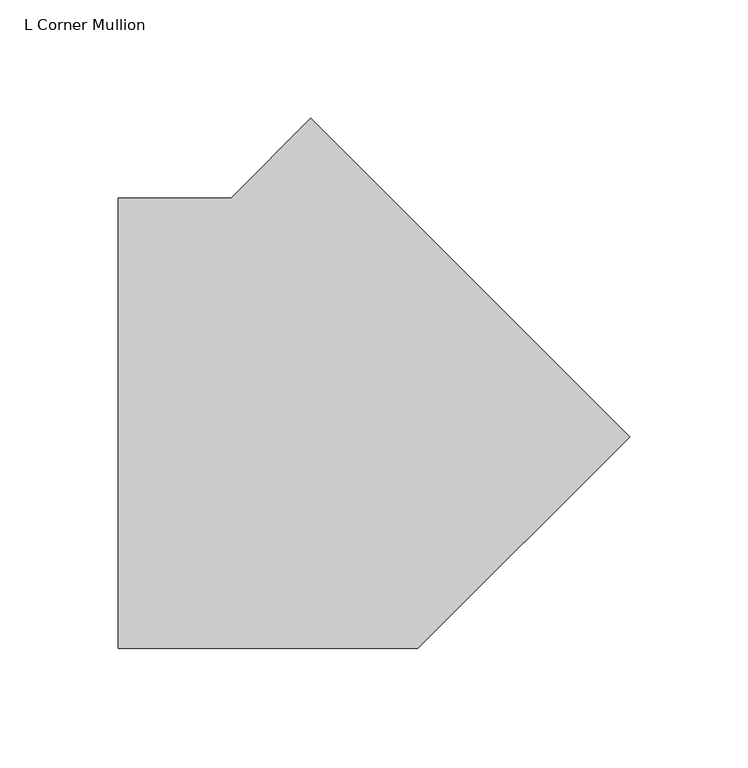
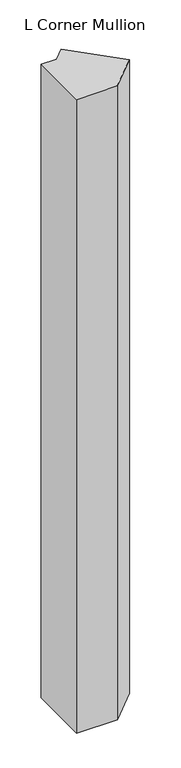
"""IFC4 building model written with IfcOpenShell, lengths in millimetres: member geometry, L Corner Mullion."""

from ifc_helpers import new_model, si_unit, frame, origin, place, context, project, spatial, polyline, outline, extrude, source, transform, mapped, element, save


def l_corner_mullion_b71c3262(model_context):
    return source(origin(), model_context, "Body", "SweptSolid", [
        extrude(outline(polyline([(105.2785601, 51.3970234), (15.7815367, -38.1), (-110.7863676, -38.1), (-110.7863676, 152.4), (-63.1261469, 152.4), (-29.4252817, 186.1008652), (105.2785601, 51.3970234)])), frame((0.0, 0.0, -2075.4930277), z_axis=(0.0, 0.0, 1.0), x_axis=(1.0, 0.0, 0.0)), (0.0, 0.0, 1.0), 2075.4930277),
    ])


if __name__ == "__main__":
    model = new_model("IFC4")
    model_context = context("Model", 3, world=origin())
    ifc_project = project(units=[si_unit("LENGTHUNIT", "METRE", prefix="MILLI")], contexts=[model_context])
    site = spatial("IfcSite", under=ifc_project)
    building = spatial("IfcBuilding", under=site)
    placement = place(None, origin())
    l_corner_mullion_shape = l_corner_mullion_b71c3262(model_context)
    element("IfcMember", 1, ObjectType="L Corner Mullion", at=placement, inside=building, context=model_context, shape_type="MappedRepresentation", body=[
        mapped(l_corner_mullion_shape, transform((0.0, 0.0, 0.0), x_axis=(1.0, 0.0, 0.0), y_axis=(0.0, 1.0, 0.0), z_axis=(0.0, 0.0, 1.0))),
    ])
    save(model, "model.ifc")
